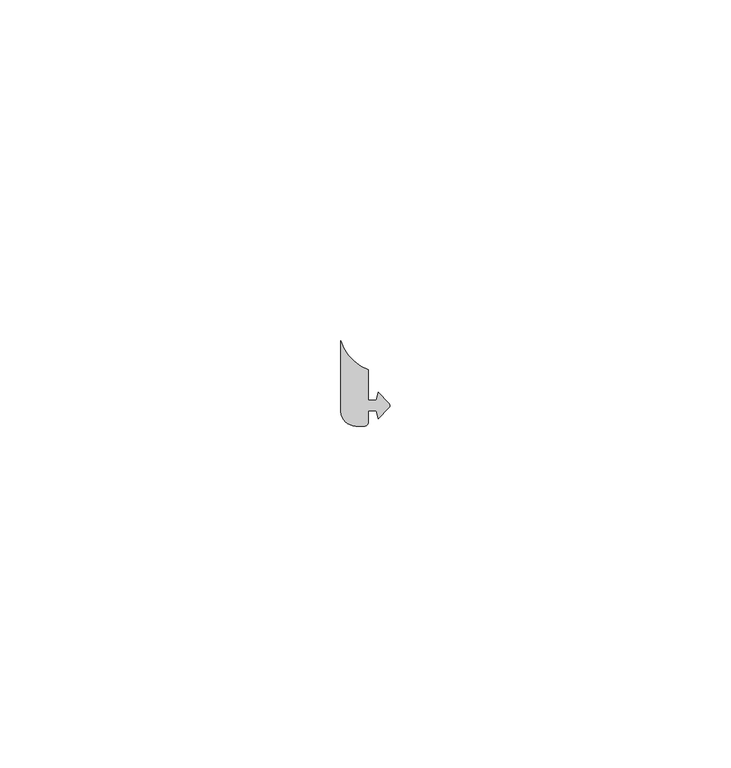
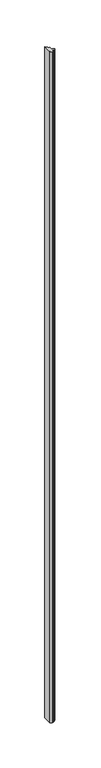
"""IFC4 building model written with IfcOpenShell, lengths in millimetres: proxy geometry."""

from ifc_helpers import new_model, si_unit, point, frame, frame_2d, origin, place, context, project, spatial, polyline, circle_curve, trimmed, segment, composite_curve, outline, extrude, source, transform, mapped, element, save


def generic_models_88664270(model_context):
    return source(origin(), model_context, "Body", "SweptSolid", [
        extrude(outline(composite_curve([segment(trimmed(circle_curve(frame_2d((37250.9388458, -23716.0189606)), 6.5317631), [point((37244.6926168, -23717.929079))], [point((37248.6931005, -23722.1525205))], True, "CARTESIAN"), True, "CONTINUOUS"), segment(polyline([(37248.6931005, -23722.1525205), (37248.6931005, -23726.6519617), (37249.8645542, -23726.6519617), (37250.2069556, -23725.4741651), (37251.709368, -23727.0453851)]), True, "CONTINUOUS"), segment(trimmed(circle_curve(frame_2d((37251.3598522, -23727.4141844)), 0.5081085), [point((37251.709368, -23727.0453851))], [point((37251.7246655, -23727.7678586))], False, "CARTESIAN"), True, "CONTINUOUS"), segment(polyline([(37251.7246655, -23727.7678586), (37250.1947492, -23729.3675034), (37249.8555896, -23728.176159), (37248.6925922, -23728.176159), (37248.6925922, -23729.8970419)]), True, "CONTINUOUS"), segment(trimmed(circle_curve(frame_2d((37248.1848522, -23729.913646)), 0.5080114), [point((37248.6925922, -23729.8970419))], [point((37248.1848522, -23730.4216574))], False, "CARTESIAN"), True, "CONTINUOUS"), segment(polyline([(37248.1848522, -23730.4216574), (37246.8796809, -23730.4216574)]), True, "CONTINUOUS"), segment(trimmed(circle_curve(frame_2d((37246.8999492, -23728.2117415)), 2.2100088), [point((37246.8796809, -23730.4216574))], [point((37244.6926168, -23728.3204714))], False, "CARTESIAN"), True, "CONTINUOUS"), segment(polyline([(37244.6926168, -23728.3204714), (37244.6926168, -23717.929079)]), True, "CONTINUOUS")], self_intersect=False)), frame((0.0, 0.0, 1524.0), z_axis=(0.0, 0.0, 1.0), x_axis=(1.0, 0.0, 0.0)), (0.0, 0.0, 1.0), 914.4),
    ])


if __name__ == "__main__":
    model = new_model("IFC4")
    model_context = context("Model", 3, world=origin())
    ifc_project = project(units=[si_unit("LENGTHUNIT", "METRE", prefix="MILLI")], contexts=[model_context])
    site = spatial("IfcSite", under=ifc_project)
    building = spatial("IfcBuilding", under=site)
    placement = place(None, origin())
    generic_models_shape = generic_models_88664270(model_context)
    element("IfcBuildingElementProxy", 1, Name="Generic Models", at=placement, inside=building, context=model_context, shape_type="MappedRepresentation", body=[
        mapped(generic_models_shape, transform((0.0, 0.0, 0.0), x_axis=(1.0, 0.0, 0.0), y_axis=(0.0, 1.0, 0.0), z_axis=(0.0, 0.0, 1.0))),
    ])
    save(model, "model.ifc")
